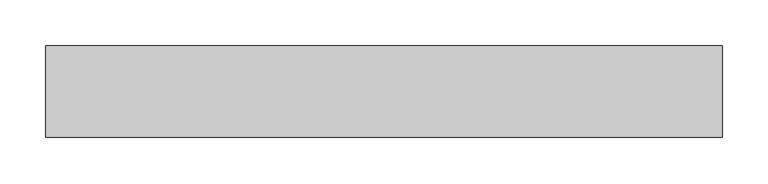
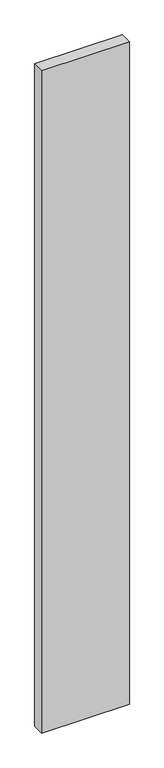
"""IFC4 building model written with IfcOpenShell, lengths in millimetres: proxy geometry."""

from ifc_helpers import new_model, si_unit, frame, origin, place, context, project, spatial, polyline, outline, extrude, source, transform, mapped, element, save


def generic_models_03252135(model_context):
    return source(origin(), model_context, "Body", "SweptSolid", [
        extrude(outline(polyline([(740.0, 100.0), (740.0, 0.0), (0.0, 0.0), (0.0, 100.0), (740.0, 100.0)])), frame((0.0, 0.0, -5900.0), z_axis=(0.0, 0.0, 1.0), x_axis=(1.0, 0.0, 0.0)), (0.0, 0.0, 1.0), 5900.0),
    ])


if __name__ == "__main__":
    model = new_model("IFC4")
    model_context = context("Model", 3, world=origin())
    ifc_project = project(units=[si_unit("LENGTHUNIT", "METRE", prefix="MILLI")], contexts=[model_context])
    site = spatial("IfcSite", under=ifc_project)
    building = spatial("IfcBuilding", under=site)
    placement = place(None, origin())
    generic_models_shape = generic_models_03252135(model_context)
    element("IfcBuildingElementProxy", 1, Name="Generic Models", at=placement, inside=building, context=model_context, shape_type="MappedRepresentation", body=[
        mapped(generic_models_shape, transform((0.0, 0.0, 0.0), x_axis=(1.0, 0.0, 0.0), y_axis=(0.0, 1.0, 0.0), z_axis=(0.0, 0.0, 1.0))),
    ])
    save(model, "model.ifc")
